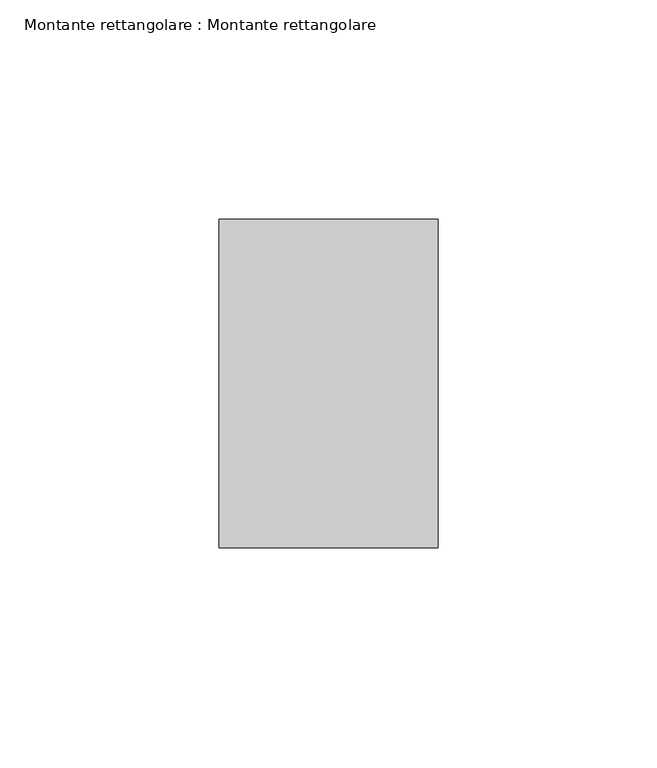
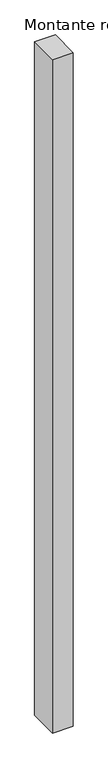
"""IFC4 building model written with IfcOpenShell, lengths in millimetres: member geometry, Montante rettangolare : Montante rettangolare."""

from ifc_helpers import new_model, si_unit, frame, origin, place, context, project, spatial, polyline, outline, extrude, source, transform, mapped, element, save


def montante_rettangolare_montante_rettangolare_709ad98d(model_context):
    return source(origin(), model_context, "Body", "SweptSolid", [
        extrude(outline(polyline([(0.0, 37.5), (0.0, -37.5), (-50.0, -37.5), (-50.0, 37.5), (0.0, 37.5)])), frame((0.0, 0.0, -1725.0), z_axis=(0.0, 0.0, 1.0), x_axis=(1.0, 0.0, 0.0)), (0.0, 0.0, 1.0), 1725.0),
    ])


if __name__ == "__main__":
    model = new_model("IFC4")
    model_context = context("Model", 3, world=origin())
    ifc_project = project(units=[si_unit("LENGTHUNIT", "METRE", prefix="MILLI")], contexts=[model_context])
    site = spatial("IfcSite", under=ifc_project)
    building = spatial("IfcBuilding", under=site)
    placement = place(None, origin())
    montante_rettangolare_montante_rettangolare_shape = montante_rettangolare_montante_rettangolare_709ad98d(model_context)
    element("IfcMember", 1, ObjectType="Montante rettangolare : Montante rettangolare", at=placement, inside=building, context=model_context, shape_type="MappedRepresentation", body=[
        mapped(montante_rettangolare_montante_rettangolare_shape, transform((0.0, 0.0, 0.0), x_axis=(1.0, 0.0, 0.0), y_axis=(0.0, 1.0, 0.0), z_axis=(0.0, 0.0, 1.0))),
    ])
    save(model, "model.ifc")
